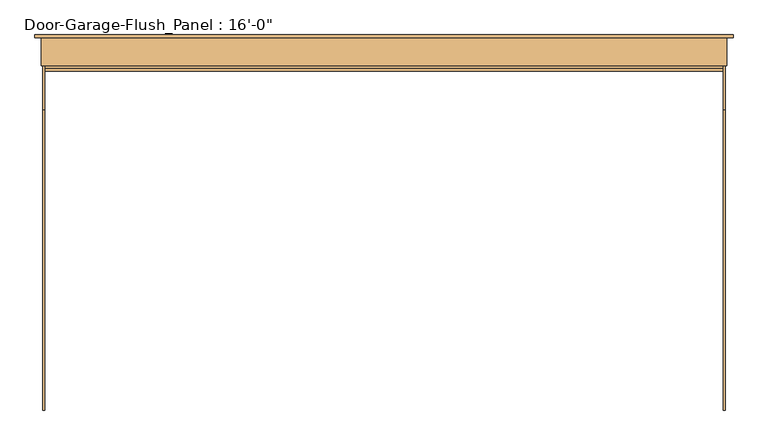
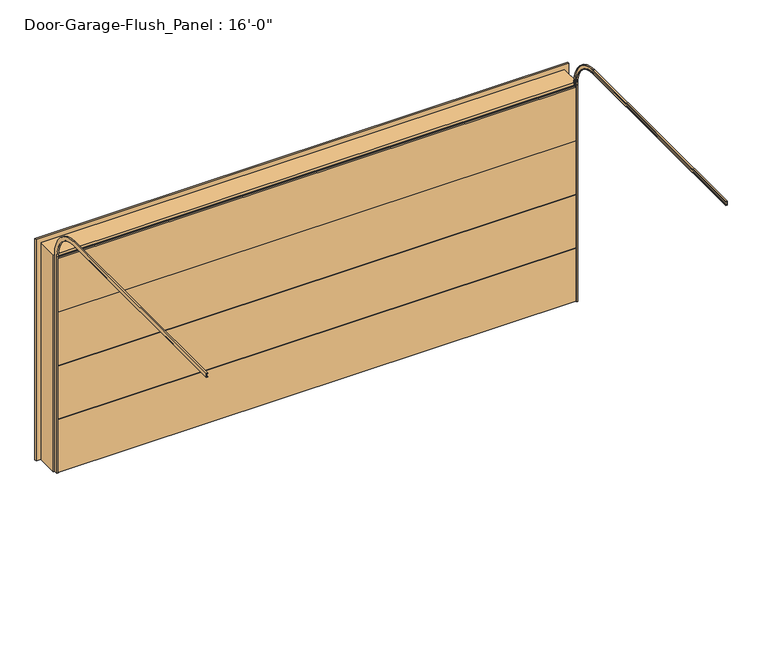
"""IFC4 building model written with IfcOpenShell, lengths in millimetres: door geometry."""

from ifc_helpers import new_model, si_unit, frame, origin, place, context, project, spatial, polyline, circle_curve, outline, extrude, source, transform, mapped, element, save
from ifc_brep_helpers import plane_surface, cylinder_surface, revolved_surface, advanced_brep


def door_aa0a706e(model_context):
    return source(origin(), model_context, "Body", "SolidModel", [
        extrude(outline(polyline([(-127.0, 2136.775), (-127.0, 2130.425), (-104.775, 2130.425), (-104.775, 1600.2), (-120.65, 1600.2), (-120.65, 1606.55), (-142.875, 1606.55), (-142.875, 2136.775), (-127.0, 2136.775)])), frame((-2438.4, 0.0, 0.0), z_axis=(1.0, 0.0, 0.0), x_axis=(0.0, 1.0, 0.0)), (0.0, 0.0, 1.0), 4876.8),
        extrude(outline(polyline([(-127.0, 1603.375), (-127.0, 1597.025), (-104.775, 1597.025), (-104.775, 1066.8), (-120.65, 1066.8), (-120.65, 1073.15), (-142.875, 1073.15), (-142.875, 1603.375), (-127.0, 1603.375)])), frame((-2438.4, 0.0, 0.0), z_axis=(1.0, 0.0, 0.0), x_axis=(0.0, 1.0, 0.0)), (0.0, 0.0, 1.0), 4876.8),
        extrude(outline(polyline([(-127.0, 1069.975), (-127.0, 1063.625), (-104.775, 1063.625), (-104.775, 533.4), (-120.65, 533.4), (-120.65, 539.75), (-142.875, 539.75), (-142.875, 1069.975), (-127.0, 1069.975)])), frame((-2438.4, 0.0, 0.0), z_axis=(1.0, 0.0, 0.0), x_axis=(0.0, 1.0, 0.0)), (0.0, 0.0, 1.0), 4876.8),
        extrude(outline(polyline([(-127.0, 536.575), (-127.0, 530.225), (-104.775, 530.225), (-104.775, 0.0), (-120.65, 0.0), (-120.65, 6.35), (-142.875, 6.35), (-142.875, 536.575), (-127.0, 536.575)])), frame((-2438.4, 0.0, 0.0), z_axis=(1.0, 0.0, 0.0), x_axis=(0.0, 1.0, 0.0)), (0.0, 0.0, 1.0), 4876.8),
        advanced_brep(
        [(2451.1, -2581.275, 2438.4), (2451.1, -2581.275, 2476.5), (2438.4, -2581.275, 2476.5), (2438.4, -2581.275, 2473.325), (2447.925, -2581.275, 2473.325), (2447.925, -2581.275, 2441.575), (2438.4, -2581.275, 2441.575), (2438.4, -2581.275, 2438.4), (2451.1, -422.275, 2438.4), (2451.1, -142.875, 2159.0), (2451.1, -142.875, 0.0), (2451.1, -104.775, 0.0), (2451.1, -104.775, 2159.0), (2451.1, -422.275, 2476.5), (2438.4, -422.275, 2476.5), (2438.4, -104.775, 2159.0), (2438.4, -104.775, 0.0), (2438.4, -107.95, 0.0), (2438.4, -107.95, 2159.0), (2438.4, -422.275, 2473.325), (2447.925, -422.275, 2473.325), (2447.925, -107.95, 2159.0), (2447.925, -107.95, 0.0), (2447.925, -139.7, 0.0), (2447.925, -139.7, 2159.0), (2447.925, -422.275, 2441.575), (2438.4, -422.275, 2441.575), (2438.4, -139.7, 2159.0), (2438.4, -139.7, 0.0), (2438.4, -142.875, 0.0), (2438.4, -142.875, 2159.0), (2438.4, -422.275, 2438.4)],
        [
            (0, 1),
            (1, 2),
            (2, 3),
            (3, 4),
            (4, 5),
            (5, 6),
            (6, 7),
            (7, 0),
            (0, 8),
            (8, 9, circle_curve(frame((2451.1, -422.275, 2159.0), z_axis=(-1.0, 0.0, 0.0), x_axis=(0.0, 0.0, 1.0)), 279.4)),
            (9, 10),
            (10, 11),
            (11, 12),
            (12, 13, circle_curve(frame((2451.1, -422.275, 2159.0), z_axis=(1.0, 0.0, 0.0), x_axis=(0.0, 0.0, 1.0)), 317.5)),
            (13, 1),
            (13, 14),
            (14, 2),
            (14, 15, circle_curve(frame((2438.4, -422.275, 2159.0), z_axis=(-1.0, 0.0, 0.0), x_axis=(0.0, 0.0, 1.0)), 317.5)),
            (15, 16),
            (16, 17),
            (17, 18),
            (18, 19, circle_curve(frame((2438.4, -422.275, 2159.0), z_axis=(1.0, 0.0, 0.0), x_axis=(0.0, 0.0, 1.0)), 314.325)),
            (19, 3),
            (19, 20),
            (20, 4),
            (20, 21, circle_curve(frame((2447.925, -422.275, 2159.0), z_axis=(-1.0, 0.0, 0.0), x_axis=(0.0, 0.0, 1.0)), 314.325)),
            (21, 22),
            (22, 23),
            (23, 24),
            (24, 25, circle_curve(frame((2447.925, -422.275, 2159.0), z_axis=(1.0, 0.0, 0.0), x_axis=(0.0, 0.0, 1.0)), 282.575)),
            (25, 5),
            (25, 26),
            (26, 6),
            (26, 27, circle_curve(frame((2438.4, -422.275, 2159.0), z_axis=(-1.0, 0.0, 0.0), x_axis=(0.0, 0.0, 1.0)), 282.575)),
            (27, 28),
            (28, 29),
            (29, 30),
            (30, 31, circle_curve(frame((2438.4, -422.275, 2159.0), z_axis=(1.0, 0.0, 0.0), x_axis=(0.0, 0.0, 1.0)), 279.4)),
            (31, 7),
            (31, 8),
            (12, 15),
            (18, 21),
            (24, 27),
            (30, 9),
            (10, 29),
            (28, 23),
            (22, 17),
            (16, 11),
        ],
        [
            plane_surface(frame((0.0, -2581.275, 2438.4), z_axis=(0.0, -1.0, 0.0), x_axis=(1.0, 0.0, 0.0))),
            plane_surface(frame((2451.1, -2581.275, 2438.4), z_axis=(1.0, 0.0, 0.0), x_axis=(0.0, 1.0, 0.0))),
            plane_surface(frame((2451.1, -2581.275, 2476.5), z_axis=(0.0, 0.0, 1.0), x_axis=(0.0, 1.0, 0.0))),
            plane_surface(frame((2438.4, -2581.275, 2476.5), z_axis=(-1.0, 0.0, 0.0), x_axis=(0.0, 1.0, 0.0))),
            plane_surface(frame((2438.4, -2581.275, 2473.325), z_axis=(0.0, 0.0, -1.0), x_axis=(0.0, 1.0, 0.0))),
            plane_surface(frame((2447.925, -2581.275, 2473.325), z_axis=(-1.0, 0.0, 0.0), x_axis=(0.0, 1.0, 0.0))),
            plane_surface(frame((2447.925, -2581.275, 2441.575), z_axis=(0.0, 0.0, 1.0), x_axis=(0.0, 1.0, 0.0))),
            plane_surface(frame((2438.4, -2581.275, 2441.575), z_axis=(-1.0, 0.0, 0.0), x_axis=(0.0, 1.0, 0.0))),
            plane_surface(frame((2438.4, -2581.275, 2438.4), z_axis=(0.0, 0.0, -1.0), x_axis=(0.0, 1.0, 0.0))),
            cylinder_surface(frame((0.0, -422.275, 2159.0), z_axis=(-1.0, 0.0, 0.0), x_axis=(0.0, 0.0, 1.0)), 317.5),
            revolved_surface(polyline([(2438.4, -422.275, 2473.325), (2447.925, -422.275, 2473.325)]), (0.0, -422.275, 2159.0), (-1.0, 0.0, 0.0)),
            cylinder_surface(frame((0.0, -422.275, 2159.0), z_axis=(-1.0, 0.0, 0.0), x_axis=(0.0, 0.0, 1.0)), 282.575),
            revolved_surface(polyline([(2438.4, -422.275, 2438.4), (2451.1, -422.275, 2438.4)]), (0.0, -422.275, 2159.0), (-1.0, 0.0, 0.0)),
            plane_surface(frame((0.0, -142.875, 0.0), z_axis=(0.0, 0.0, -1.0), x_axis=(1.0, 0.0, 0.0))),
            plane_surface(frame((2451.1, -104.775, 2159.0), z_axis=(0.0, 1.0, 0.0), x_axis=(0.0, 0.0, -1.0))),
            plane_surface(frame((2438.4, -107.95, 2159.0), z_axis=(0.0, -1.0, 0.0), x_axis=(0.0, 0.0, -1.0))),
            plane_surface(frame((2447.925, -139.7, 2159.0), z_axis=(0.0, 1.0, 0.0), x_axis=(0.0, 0.0, -1.0))),
            plane_surface(frame((2438.4, -142.875, 2159.0), z_axis=(0.0, -1.0, 0.0), x_axis=(0.0, 0.0, -1.0))),
        ],
        [
            (0, [[1, 2, 3, 4, 5, 6, 7, 8]]),
            (1, [[-1, 9, 10, 11, 12, 13, 14, 15]]),
            (2, [[-2, -15, 16, 17]]),
            (3, [[-3, -17, 18, 19, 20, 21, 22, 23]]),
            (4, [[-4, -23, 24, 25]]),
            (5, [[-5, -25, 26, 27, 28, 29, 30, 31]]),
            (6, [[-6, -31, 32, 33]]),
            (7, [[-7, -33, 34, 35, 36, 37, 38, 39]]),
            (8, [[-8, -39, 40, -9]]),
            (9, [[-18, -16, -14, 41]]),
            (10, [[-26, -24, -22, 42]]),
            (11, [[-34, -32, -30, 43]]),
            (12, [[-10, -40, -38, 44]]),
            (13, [[45, -36, 46, -28, 47, -20, 48, -12]]),
            (14, [[-41, -13, -48, -19]]),
            (15, [[-42, -21, -47, -27]]),
            (16, [[-43, -29, -46, -35]]),
            (17, [[-44, -37, -45, -11]]),
        ],
    ),
        advanced_brep(
        [(-2451.1, -2581.275, 2438.4), (-2438.4, -2581.275, 2438.4), (-2438.4, -2581.275, 2441.575), (-2447.925, -2581.275, 2441.575), (-2447.925, -2581.275, 2473.325), (-2438.4, -2581.275, 2473.325), (-2438.4, -2581.275, 2476.5), (-2451.1, -2581.275, 2476.5), (-2451.1, -422.275, 2438.4), (-2438.4, -422.275, 2438.4), (-2438.4, -142.875, 2159.0), (-2438.4, -142.875, 0.0), (-2438.4, -139.7, 0.0), (-2438.4, -139.7, 2159.0), (-2438.4, -422.275, 2441.575), (-2447.925, -422.275, 2441.575), (-2447.925, -139.7, 2159.0), (-2447.925, -139.7, 0.0), (-2447.925, -107.95, 0.0), (-2447.925, -107.95, 2159.0), (-2447.925, -422.275, 2473.325), (-2438.4, -422.275, 2473.325), (-2438.4, -107.95, 2159.0), (-2438.4, -107.95, 0.0), (-2438.4, -104.775, 0.0), (-2438.4, -104.775, 2159.0), (-2438.4, -422.275, 2476.5), (-2451.1, -422.275, 2476.5), (-2451.1, -104.775, 2159.0), (-2451.1, -104.775, 0.0), (-2451.1, -142.875, 0.0), (-2451.1, -142.875, 2159.0)],
        [
            (0, 1),
            (1, 2),
            (2, 3),
            (3, 4),
            (4, 5),
            (5, 6),
            (6, 7),
            (7, 0),
            (0, 8),
            (8, 9),
            (9, 1),
            (9, 10, circle_curve(frame((-2438.4, -422.275, 2159.0), z_axis=(-1.0, 0.0, 0.0), x_axis=(0.0, 0.0, 1.0)), 279.4)),
            (10, 11),
            (11, 12),
            (12, 13),
            (13, 14, circle_curve(frame((-2438.4, -422.275, 2159.0), z_axis=(1.0, 0.0, 0.0), x_axis=(0.0, 0.0, 1.0)), 282.575)),
            (14, 2),
            (14, 15),
            (15, 3),
            (15, 16, circle_curve(frame((-2447.925, -422.275, 2159.0), z_axis=(-1.0, 0.0, 0.0), x_axis=(0.0, 0.0, 1.0)), 282.575)),
            (16, 17),
            (17, 18),
            (18, 19),
            (19, 20, circle_curve(frame((-2447.925, -422.275, 2159.0), z_axis=(1.0, 0.0, 0.0), x_axis=(0.0, 0.0, 1.0)), 314.325)),
            (20, 4),
            (20, 21),
            (21, 5),
            (21, 22, circle_curve(frame((-2438.4, -422.275, 2159.0), z_axis=(-1.0, 0.0, 0.0), x_axis=(0.0, 0.0, 1.0)), 314.325)),
            (22, 23),
            (23, 24),
            (24, 25),
            (25, 26, circle_curve(frame((-2438.4, -422.275, 2159.0), z_axis=(1.0, 0.0, 0.0), x_axis=(0.0, 0.0, 1.0)), 317.5)),
            (26, 6),
            (26, 27),
            (27, 7),
            (27, 28, circle_curve(frame((-2451.1, -422.275, 2159.0), z_axis=(-1.0, 0.0, 0.0), x_axis=(0.0, 0.0, 1.0)), 317.5)),
            (28, 29),
            (29, 30),
            (30, 31),
            (31, 8, circle_curve(frame((-2451.1, -422.275, 2159.0), z_axis=(1.0, 0.0, 0.0), x_axis=(0.0, 0.0, 1.0)), 279.4)),
            (31, 10),
            (13, 16),
            (19, 22),
            (25, 28),
            (29, 24),
            (23, 18),
            (17, 12),
            (11, 30),
        ],
        [
            plane_surface(frame((0.0, -2581.275, 2438.4), z_axis=(0.0, -1.0, 0.0), x_axis=(1.0, 0.0, 0.0))),
            plane_surface(frame((-2451.1, -2581.275, 2438.4), z_axis=(0.0, 0.0, -1.0), x_axis=(0.0, 1.0, 0.0))),
            plane_surface(frame((-2438.4, -2581.275, 2438.4), z_axis=(1.0, 0.0, 0.0), x_axis=(0.0, 1.0, 0.0))),
            plane_surface(frame((-2438.4, -2581.275, 2441.575), z_axis=(0.0, 0.0, 1.0), x_axis=(0.0, 1.0, 0.0))),
            plane_surface(frame((-2447.925, -2581.275, 2441.575), z_axis=(1.0, 0.0, 0.0), x_axis=(0.0, 1.0, 0.0))),
            plane_surface(frame((-2447.925, -2581.275, 2473.325), z_axis=(0.0, 0.0, -1.0), x_axis=(0.0, 1.0, 0.0))),
            plane_surface(frame((-2438.4, -2581.275, 2473.325), z_axis=(1.0, 0.0, 0.0), x_axis=(0.0, 1.0, 0.0))),
            plane_surface(frame((-2438.4, -2581.275, 2476.5), z_axis=(0.0, 0.0, 1.0), x_axis=(0.0, 1.0, 0.0))),
            plane_surface(frame((-2451.1, -2581.275, 2476.5), z_axis=(-1.0, 0.0, 0.0), x_axis=(0.0, 1.0, 0.0))),
            revolved_surface(polyline([(-2451.1, -422.275, 2438.4), (-2438.4, -422.275, 2438.4)]), (0.0, -422.275, 2159.0), (-1.0, 0.0, 0.0)),
            cylinder_surface(frame((0.0, -422.275, 2159.0), z_axis=(-1.0, 0.0, 0.0), x_axis=(0.0, 0.0, 1.0)), 282.575),
            revolved_surface(polyline([(-2447.925, -422.275, 2473.325), (-2438.4, -422.275, 2473.325)]), (0.0, -422.275, 2159.0), (-1.0, 0.0, 0.0)),
            cylinder_surface(frame((0.0, -422.275, 2159.0), z_axis=(-1.0, 0.0, 0.0), x_axis=(0.0, 0.0, 1.0)), 317.5),
            plane_surface(frame((0.0, -142.875, 0.0), z_axis=(0.0, 0.0, -1.0), x_axis=(1.0, 0.0, 0.0))),
            plane_surface(frame((-2451.1, -142.875, 2159.0), z_axis=(0.0, -1.0, 0.0), x_axis=(0.0, 0.0, -1.0))),
            plane_surface(frame((-2438.4, -139.7, 2159.0), z_axis=(0.0, 1.0, 0.0), x_axis=(0.0, 0.0, -1.0))),
            plane_surface(frame((-2447.925, -107.95, 2159.0), z_axis=(0.0, -1.0, 0.0), x_axis=(0.0, 0.0, -1.0))),
            plane_surface(frame((-2438.4, -104.775, 2159.0), z_axis=(0.0, 1.0, 0.0), x_axis=(0.0, 0.0, -1.0))),
        ],
        [
            (0, [[1, 2, 3, 4, 5, 6, 7, 8]]),
            (1, [[-1, 9, 10, 11]]),
            (2, [[-2, -11, 12, 13, 14, 15, 16, 17]]),
            (3, [[-3, -17, 18, 19]]),
            (4, [[-4, -19, 20, 21, 22, 23, 24, 25]]),
            (5, [[-5, -25, 26, 27]]),
            (6, [[-6, -27, 28, 29, 30, 31, 32, 33]]),
            (7, [[-7, -33, 34, 35]]),
            (8, [[-8, -35, 36, 37, 38, 39, 40, -9]]),
            (9, [[-12, -10, -40, 41]]),
            (10, [[-20, -18, -16, 42]]),
            (11, [[-28, -26, -24, 43]]),
            (12, [[-36, -34, -32, 44]]),
            (13, [[-38, 45, -30, 46, -22, 47, -14, 48]]),
            (14, [[-41, -39, -48, -13]]),
            (15, [[-42, -15, -47, -21]]),
            (16, [[-43, -23, -46, -29]]),
            (17, [[-44, -31, -45, -37]]),
        ],
    ),
        extrude(outline(polyline([(0.0, 2438.4), (0.0, 2463.8), (2159.0, 2463.8), (2159.0, -2463.8), (0.0, -2463.8), (0.0, -2438.4), (2133.6, -2438.4), (2133.6, 2438.4), (0.0, 2438.4)])), frame((0.0, -104.775, 0.0), z_axis=(0.0, 1.0, 0.0), x_axis=(0.0, 0.0, 1.0)), (0.0, 0.0, 1.0), 203.2),
        extrude(outline(polyline([(0.0, 2444.75), (0.0, 2508.25), (2203.45, 2508.25), (2203.45, -2508.25), (0.0, -2508.25), (0.0, -2444.75), (2139.95, -2444.75), (2139.95, 2444.75), (0.0, 2444.75)])), frame((0.0, 98.425, 0.0), z_axis=(0.0, 1.0, 0.0), x_axis=(0.0, 0.0, 1.0)), (0.0, 0.0, 1.0), 19.05),
    ])


if __name__ == "__main__":
    model = new_model("IFC4")
    model_context = context("Model", 3, world=origin())
    ifc_project = project(units=[si_unit("LENGTHUNIT", "METRE", prefix="MILLI")], contexts=[model_context])
    site = spatial("IfcSite", under=ifc_project)
    building = spatial("IfcBuilding", under=site)
    placement = place(None, origin())
    door_shape = door_aa0a706e(model_context)
    element("IfcDoor", 1, ObjectType="Door-Garage-Flush_Panel : 16'-0\"", at=placement, inside=building, context=model_context, shape_type="MappedRepresentation", body=[
        mapped(door_shape, transform((0.0, 0.0, 0.0), x_axis=(1.0, 0.0, 0.0), y_axis=(0.0, 1.0, 0.0), z_axis=(0.0, 0.0, 1.0))),
    ])
    save(model, "model.ifc")
